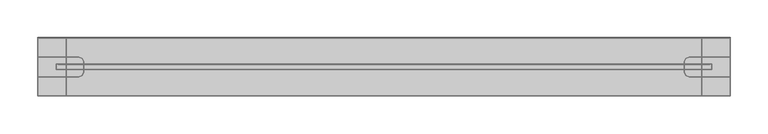
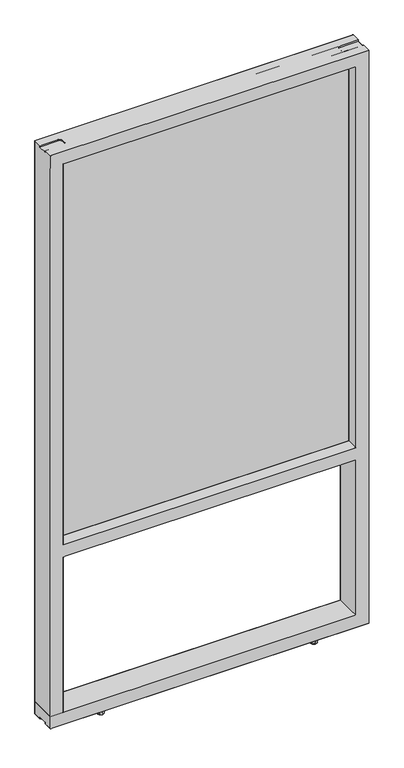
"""IFC4 building model written with IfcOpenShell, lengths in millimetres: furniture geometry."""

from ifc_helpers import new_model, si_unit, origin, place, context, project, spatial, triangles, source, transform, mapped, element, save


def furniture_b438e35a(model_context):
    return source(origin(), model_context, "Body", "Tessellation", [
        triangles([(32.6390461, -41.2115288, 1716.5700771), (32.6390461, -41.2114789, 545.4015203), (891.0320223, -41.2114789, 545.4015203), (891.0320223, -41.2115288, 1716.5700771)], [[1, 2, 3], [1, 3, 4]], closed=False),
        triangles([(891.0320223, -34.9884757, 545.4015203), (32.6390461, -34.9884757, 545.4015203), (32.6390461, -34.9885279, 1716.5700771), (891.0320223, -34.9885279, 1716.5700771)], [[1, 2, 3], [1, 3, 4]], closed=False),
        triangles([(917.4484331, -76.1999319, 1705.9152042), (917.4480698, 0.0, 1705.9147682), (917.4480698, -24.8920012, 1738.4521717), (917.4480698, -51.308001, 1738.4521717), (43.3070132, -3.8e-06, 556.0817914), (43.3070132, -34.4678066, 556.0817914), (880.3645775, -34.4678294, 556.0818277), (880.3639961, -3.8e-06, 556.0817914), (43.3070132, -34.4678044, 543.3818398), (880.3639961, -34.4678044, 543.3818398), (43.3070132, -41.7322047, 543.3818398), (880.3639961, -41.7322047, 543.3818398), (43.3070132, -41.7322047, 556.0817914), (880.3639961, -41.7322047, 556.0817914), (43.3070132, -76.2000091, 556.0817914), (880.3639961, -76.2000091, 556.0817914), (43.3070132, -76.2000091, 518.9978268), (880.3639961, -76.2000091, 518.9978268), (43.3070132, 0.0, 518.9978268), (880.3639961, 0.0, 518.9978268), (43.306559, -41.7321593, 523.8246034), (43.306559, -34.4677612, 523.8246034), (30.6065757, -34.4677612, 523.8246034), (30.6065757, -41.7321593, 523.8246034), (30.6066665, -34.4676568, 1705.9152042), (43.3075946, -34.4677294, 1705.9152042), (30.6066665, -41.7320594, 1705.9152042), (43.3066771, -41.7320594, 1705.9152042), (43.3065272, 0.0, 49.784443), (43.3066771, 0.000145, 1705.9152042), (43.3065272, -76.2000091, 49.784443), (43.3066771, -76.1998592, 1705.9152042), (893.064529, -34.4678339, 523.8246034), (880.3645775, -34.4678339, 523.8246034), (893.064529, -41.732232, 523.8246034), (880.3645775, -41.732232, 523.8246034), (30.6065144, -34.4678021, 1718.6151558), (893.0644564, -34.4677294, 1718.6151558), (893.0644564, -41.732132, 1718.6151558), (30.6065144, -41.7322002, 1718.6151558), (893.0644564, -34.4677294, 1705.9152042), (893.0644564, -41.732132, 1705.9152042), (880.3635601, -34.4678021, 1705.9152042), (880.3644321, -41.732132, 1705.9152042), (880.3645775, -7.25e-05, 49.784443), (880.3644321, 7.25e-05, 1705.9152042), (880.3645775, -76.2000727, 49.784443), (6.2229997, -24.8920012, 12.6998494), (6.2229997, 0.0, 12.6998494), (917.4480698, 0.0, 12.6998494), (917.4480698, -24.8920012, 12.6998494), (863.4730213, -24.8920012, 12.6998494), (858.9828884, -26.7518736, 12.6998494), (64.6881482, -26.7518736, 12.6998494), (60.198038, -24.8920012, 12.6998494), (857.1230455, -31.242002, 12.6998494), (66.5480137, -31.242002, 12.6998494), (858.9828884, -49.4481309, 12.6998494), (64.6881482, -49.4481309, 12.6998494), (66.5480137, -44.9580025, 12.6998494), (857.1230455, -44.9580025, 12.6998494), (863.4730213, -51.308001, 12.6998494), (60.198038, -51.308001, 12.6998494), (6.2229997, -24.8920012, 1742.9988419), (917.4480698, -24.8920012, 1742.9988419), (917.4480698, 0.0, 1742.9988419), (6.2229997, 0.0, 1742.9988419), (64.6881482, -26.7518736, 1742.9988419), (858.9828884, -26.7518736, 1742.9988419), (863.4730213, -24.8920012, 1742.9988419), (60.198038, -24.8920012, 1742.9988419), (66.5480137, -31.242002, 1742.9988419), (857.1230455, -31.242002, 1742.9988419), (66.5480137, -44.9580025, 1742.9988419), (857.1230455, -44.9580025, 1742.9988419), (64.6881482, -49.4481309, 1742.9988419), (858.9828884, -49.4481309, 1742.9988419), (60.198038, -51.308001, 1742.9988419), (863.4730213, -51.308001, 1742.9988419), (6.2229997, -76.2000091, 1742.9988419), (917.4480698, -76.2000091, 1742.9988419), (917.4480698, -51.308001, 1742.9988419), (6.2229997, -51.308001, 1742.9988419), (64.6881482, -26.7518736, 1738.4521717), (64.6881482, -49.4481309, 1738.4521717), (66.5480137, -44.9580025, 1738.4521717), (66.5480137, -31.242002, 1738.4521717), (60.198038, -24.8920012, 1738.4521717), (60.198038, -51.308001, 1738.4521717), (6.2229997, -24.8920012, 1738.4521717), (6.2229997, -51.308001, 1738.4521717), (858.9828884, -26.7518736, 1738.4521717), (858.9828884, -49.4481309, 1738.4521717), (857.1230455, -44.9580025, 1738.4521717), (857.1230455, -31.242002, 1738.4521717), (863.4730213, -24.8920012, 1738.4521717), (863.4730213, -51.308001, 1738.4521717), (6.2225115, 0.0, 1705.9152042), (6.2225115, -76.2000091, 1705.9152042), (6.2226642, -76.2001453, 49.784443), (6.2226642, -0.000145, 49.784443), (917.4480698, -76.2000091, 49.7838344), (917.4485785, -7.25e-05, 49.784443), (880.3644321, -76.1999319, 1705.9152042), (917.4480698, -51.308001, 12.6998494), (917.4480698, -51.308001, 17.2464809), (863.4730213, -51.308001, 17.2464809), (858.9828884, -49.4481309, 17.2464809), (857.1230455, -44.9580025, 17.2464809), (858.9828884, -26.7518736, 17.2464809), (857.1230455, -31.242002, 17.2464809), (863.4730213, -24.8920012, 17.2464809), (917.4480698, -24.8920012, 17.2464809), (60.198038, -24.8920012, 17.2464809), (6.2229997, -24.8920012, 17.2464809), (64.6881482, -26.7518736, 17.2464809), (66.5480137, -31.242002, 17.2464809), (64.6881482, -49.4481309, 17.2464809), (66.5480137, -44.9580025, 17.2464809), (60.198038, -51.308001, 17.2464809), (6.2229997, -51.308001, 12.6998494), (6.2229997, -51.308001, 17.2464809), (917.4480698, -76.2000091, 12.6998494), (6.2229997, -76.2000091, 12.6998494)], [[1, 2, 3], [1, 3, 4], [5, 6, 7], [5, 7, 8], [9, 10, 7], [9, 7, 6], [9, 11, 12], [9, 12, 10], [13, 14, 12], [13, 12, 11], [13, 15, 16], [13, 16, 14], [17, 18, 16], [17, 16, 15], [17, 19, 20], [17, 20, 18], [5, 8, 20], [5, 20, 19], [21, 22, 23], [21, 23, 24], [25, 23, 26], [23, 22, 26], [25, 27, 24], [25, 24, 23], [28, 21, 24], [28, 24, 27], [26, 22, 29], [26, 29, 30], [21, 31, 29], [21, 29, 22], [32, 31, 21], [32, 21, 28], [33, 34, 35], [34, 36, 35], [37, 38, 39], [37, 39, 40], [37, 25, 41], [37, 41, 38], [40, 27, 25], [40, 25, 37], [40, 39, 42], [40, 42, 27], [38, 41, 39], [41, 42, 39], [34, 33, 41], [34, 41, 43], [35, 42, 41], [35, 41, 33], [35, 36, 44], [35, 44, 42], [45, 34, 43], [45, 43, 46], [45, 47, 36], [45, 36, 34], [48, 49, 50], [48, 50, 51], [52, 53, 54], [52, 54, 55], [56, 57, 54], [56, 54, 53], [58, 59, 60], [58, 60, 61], [58, 62, 63], [58, 63, 59], [64, 65, 66], [64, 66, 67], [68, 69, 70], [68, 70, 71], [68, 72, 73], [68, 73, 69], [74, 75, 73], [74, 73, 72], [74, 76, 77], [74, 77, 75], [78, 79, 77], [78, 77, 76], [80, 81, 82], [80, 82, 83], [84, 85, 86], [84, 86, 87], [84, 88, 85], [88, 89, 85], [90, 91, 89], [90, 89, 88], [83, 78, 89], [83, 89, 91], [76, 85, 89], [76, 89, 78], [76, 74, 86], [76, 86, 85], [72, 87, 74], [87, 86, 74], [72, 68, 84], [72, 84, 87], [71, 88, 68], [88, 84, 68], [71, 64, 90], [71, 90, 88], [92, 93, 94], [92, 94, 95], [92, 96, 97], [92, 97, 93], [97, 4, 3], [97, 3, 96], [1, 4, 82], [1, 82, 81], [97, 79, 82], [97, 82, 4], [97, 93, 77], [97, 77, 79], [94, 75, 77], [94, 77, 93], [94, 95, 73], [94, 73, 75], [73, 69, 95], [69, 92, 95], [92, 96, 70], [92, 70, 69], [3, 65, 70], [3, 70, 96], [3, 2, 66], [3, 66, 65], [98, 67, 66], [98, 66, 2], [98, 90, 64], [98, 64, 67], [98, 99, 91], [98, 91, 90], [91, 99, 80], [91, 80, 83], [80, 99, 1], [80, 1, 81], [99, 100, 31], [99, 31, 32], [99, 98, 101], [99, 101, 100], [30, 29, 101], [30, 101, 98], [2, 1, 102], [2, 102, 103], [36, 47, 104], [36, 104, 44], [46, 2, 103], [46, 103, 45], [47, 102, 1], [47, 1, 104], [105, 62, 106], [62, 107, 106], [58, 108, 107], [58, 107, 62], [58, 61, 108], [61, 109, 108], [56, 53, 110], [56, 110, 111], [52, 112, 53], [112, 110, 53], [52, 51, 113], [52, 113, 112], [48, 55, 114], [48, 114, 115], [54, 116, 55], [116, 114, 55], [54, 57, 117], [54, 117, 116], [60, 59, 118], [60, 118, 119], [63, 120, 118], [63, 118, 59], [63, 121, 122], [63, 122, 120], [115, 114, 120], [115, 120, 122], [116, 118, 114], [118, 120, 114], [116, 117, 119], [116, 119, 118], [57, 60, 119], [57, 119, 117], [57, 56, 61], [57, 61, 60], [111, 109, 56], [109, 61, 56], [111, 110, 108], [111, 108, 109], [112, 107, 108], [112, 108, 110], [112, 113, 106], [112, 106, 107], [123, 124, 121], [123, 121, 105], [102, 100, 124], [102, 124, 123], [124, 100, 122], [124, 122, 121], [101, 115, 122], [101, 122, 100], [101, 49, 48], [101, 48, 115], [101, 103, 50], [101, 50, 49], [113, 51, 50], [113, 50, 103], [102, 123, 105], [102, 105, 106], [113, 103, 102], [113, 102, 106], [101, 100, 102], [101, 102, 103]], closed=False),
        triangles([(772.5854004, -57.5500937, -0.0001014), (775.0499302, -63.4999803, -0.0001014), (760.685618, -57.5500937, -0.0001014), (766.6354729, -55.0855684, -0.0001014), (772.5854004, -69.4498715, -0.0001014), (758.2210882, -63.4999803, -0.0001014), (766.6354729, -71.9143922, -0.0001014), (760.685618, -69.4498715, -0.0001014), (773.6405685, -70.545971, 1.3910119), (776.5449697, -63.5341307, 1.3910119), (777.5574806, -63.4999985, 12.6998494), (774.358548, -71.2230191, 12.6998494), (766.6287146, -73.4503722, 1.3910119), (766.6355455, -74.4219972, 12.6998494), (759.6168606, -70.545971, 1.3910119), (758.9124704, -71.2230191, 12.6998494), (756.7124594, -63.5341307, 1.3910119), (755.7135378, -63.4999985, 12.6998494), (759.6168606, -56.5222903, 1.3910119), (758.9124704, -55.7769824, 12.6998494), (766.6287146, -53.6178936, 1.3910119), (766.6355455, -52.5779998, 12.6998494), (773.6405685, -56.5222903, 1.3910119), (774.358548, -55.7769824, 12.6998494), (772.5854004, -6.7500973, -0.0001014), (775.0499302, -12.6999856, -0.0001014), (760.685618, -6.7500973, -0.0001014), (766.6354729, -4.2855731, -0.0001014), (772.5854004, -18.6498723, -0.0001014), (758.2210882, -12.6999856, -0.0001014), (766.6354729, -21.1143975, -0.0001014), (760.685618, -18.6498723, -0.0001014), (773.6405685, -19.7459763, 1.3910119), (776.5449697, -12.734136, 1.3910119), (777.5574806, -12.7000038, 12.6998494), (774.358548, -20.4230221, 12.6998494), (766.6287146, -22.6503753, 1.3910119), (766.6355455, -23.6220025, 12.6998494), (759.6168606, -19.7459763, 1.3910119), (758.9124704, -20.4230221, 12.6998494), (756.7124594, -12.734136, 1.3910119), (755.7135378, -12.7000038, 12.6998494), (759.6168606, -5.7222956, 1.3910119), (758.9124704, -4.9769838, 12.6998494), (766.6287146, -2.8178958, 1.3910119), (766.6355455, -1.7780045, 12.6998494), (773.6405685, -5.7222956, 1.3910119), (774.358548, -4.9769838, 12.6998494), (162.9854004, -57.5500982, -0.0001014), (165.4499302, -63.4999894, -0.0001014), (151.0856271, -57.5500982, -0.0001014), (157.0355092, -55.0855775, -0.0001014), (162.9854004, -69.449876, -0.0001014), (148.6211064, -63.4999894, -0.0001014), (157.0355092, -71.9144013, -0.0001014), (151.0856271, -69.449876, -0.0001014), (164.0405685, -70.5459801, 1.3910119), (166.9449697, -63.5341398, 1.3910119), (167.9575351, -63.5000076, 12.6998494), (164.758548, -71.2230236, 12.6998494), (157.0287327, -73.4503768, 1.3910119), (157.0355274, -74.4220062, 12.6998494), (150.0168878, -70.5459801, 1.3910119), (149.3125068, -71.2230236, 12.6998494), (147.1124957, -63.5341398, 1.3910119), (146.1135287, -63.5000076, 12.6998494), (150.0168878, -56.5222994, 1.3910119), (149.3125068, -55.776987, 12.6998494), (157.0287327, -53.6178982, 1.3910119), (157.0355274, -52.5780089, 12.6998494), (164.0405685, -56.5222994, 1.3910119), (164.758548, -55.776987, 12.6998494), (162.9854186, -6.750116, -0.0001014), (165.4499302, -12.7000038, -0.0001014), (151.0856362, -6.750116, -0.0001014), (157.0355274, -4.2855919, -0.0001014), (162.9854186, -18.6498916, -0.0001014), (148.6211064, -12.7000038, -0.0001014), (157.0355274, -21.1144157, -0.0001014), (151.0856362, -18.6498916, -0.0001014), (164.0405685, -19.7459945, 1.3910119), (166.9449697, -12.7341541, 1.3910119), (167.9575351, -12.700022, 12.6998494), (164.758548, -20.4230426, 12.6998494), (157.0287327, -22.6503957, 1.3910119), (157.0355274, -23.6220206, 12.6998494), (150.0168969, -19.7459945, 1.3910119), (149.3125159, -20.4230426, 12.6998494), (147.1124957, -12.7341541, 1.3910119), (146.1135378, -12.700022, 12.6998494), (150.0168969, -5.7223138, 1.3910119), (149.3125159, -4.9770025, 12.6998494), (157.0287327, -2.8179146, 1.3910119), (157.0355274, -1.7780231, 12.6998494), (164.0405685, -5.7223138, 1.3910119), (164.758548, -4.9770025, 12.6998494)], [[1, 2, 3], [1, 3, 4], [5, 6, 2], [6, 3, 2], [5, 7, 8], [5, 8, 6], [9, 10, 11], [9, 11, 12], [13, 9, 12], [13, 12, 14], [15, 13, 14], [15, 14, 16], [17, 15, 16], [17, 16, 18], [19, 17, 18], [19, 18, 20], [21, 19, 20], [21, 20, 22], [23, 21, 24], [21, 22, 24], [10, 23, 11], [23, 24, 11], [5, 2, 10], [5, 10, 9], [7, 5, 9], [7, 9, 13], [8, 7, 13], [8, 13, 15], [6, 8, 17], [8, 15, 17], [3, 6, 17], [3, 17, 19], [4, 3, 19], [4, 19, 21], [1, 4, 23], [4, 21, 23], [2, 1, 23], [2, 23, 10], [25, 26, 27], [25, 27, 28], [29, 30, 26], [30, 27, 26], [29, 31, 32], [29, 32, 30], [33, 34, 35], [33, 35, 36], [37, 33, 36], [37, 36, 38], [39, 37, 38], [39, 38, 40], [41, 39, 40], [41, 40, 42], [43, 41, 42], [43, 42, 44], [45, 43, 44], [45, 44, 46], [47, 45, 48], [45, 46, 48], [34, 47, 35], [47, 48, 35], [29, 26, 34], [29, 34, 33], [31, 29, 33], [31, 33, 37], [32, 31, 37], [32, 37, 39], [30, 32, 41], [32, 39, 41], [27, 30, 41], [27, 41, 43], [28, 27, 43], [28, 43, 45], [25, 28, 45], [25, 45, 47], [26, 25, 47], [26, 47, 34], [49, 50, 51], [49, 51, 52], [53, 54, 51], [53, 51, 50], [53, 55, 56], [53, 56, 54], [57, 58, 59], [57, 59, 60], [61, 57, 60], [61, 60, 62], [63, 61, 62], [63, 62, 64], [65, 63, 64], [65, 64, 66], [67, 65, 66], [67, 66, 68], [69, 67, 68], [69, 68, 70], [71, 69, 70], [71, 70, 72], [58, 71, 59], [71, 72, 59], [53, 50, 58], [53, 58, 57], [55, 53, 57], [55, 57, 61], [56, 55, 61], [56, 61, 63], [54, 56, 65], [56, 63, 65], [51, 54, 67], [54, 65, 67], [52, 51, 67], [52, 67, 69], [49, 52, 71], [52, 69, 71], [50, 49, 71], [50, 71, 58], [73, 74, 75], [73, 75, 76], [77, 78, 74], [78, 75, 74], [77, 79, 80], [77, 80, 78], [81, 82, 83], [81, 83, 84], [85, 81, 84], [85, 84, 86], [87, 85, 86], [87, 86, 88], [89, 87, 88], [89, 88, 90], [91, 89, 90], [91, 90, 92], [93, 91, 92], [93, 92, 94], [95, 93, 94], [95, 94, 96], [82, 95, 83], [95, 96, 83], [77, 74, 82], [77, 82, 81], [79, 77, 81], [79, 81, 85], [80, 79, 85], [80, 85, 87], [78, 80, 89], [80, 87, 89], [75, 78, 89], [75, 89, 91], [76, 75, 91], [76, 91, 93], [73, 76, 95], [76, 93, 95], [74, 73, 95], [74, 95, 82]], closed=False),
    ])


if __name__ == "__main__":
    model = new_model("IFC4")
    model_context = context("Model", 3, world=origin())
    ifc_project = project(units=[si_unit("LENGTHUNIT", "METRE", prefix="MILLI")], contexts=[model_context])
    site = spatial("IfcSite", under=ifc_project)
    building = spatial("IfcBuilding", under=site)
    placement = place(None, origin())
    furniture_shape = furniture_b438e35a(model_context)
    element("IfcFurniture", 1, at=placement, inside=building, context=model_context, shape_type="MappedRepresentation", body=[
        mapped(furniture_shape, transform((0.0, 0.0, 0.0), x_axis=(1.0, 0.0, 0.0), y_axis=(0.0, 1.0, 0.0), z_axis=(0.0, 0.0, 1.0))),
    ])
    save(model, "model.ifc")
